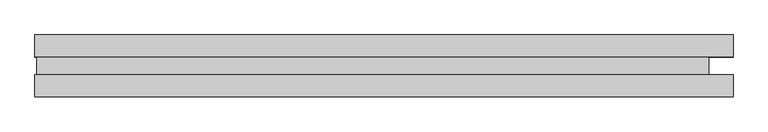
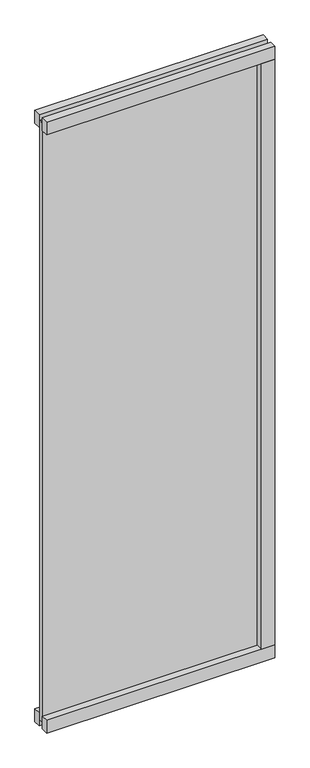
"""IFC4 building model written with IfcOpenShell, lengths in millimetres: plate geometry."""

import ifcopenshell
import ifcopenshell.guid

model = None  # the IFC model being written
_history = None  # IfcOwnerHistory: only IFC2X3 demands one
_inside = {}  # id of a spatial element -> (the spatial element, [elements in it])
_under = {}  # id of a project, library or spatial element -> (it, [spatial elements below it])
_declared = {}  # id of a project -> (the project, [libraries it declares])
_typed = {}  # id of a type object -> (the type object, [elements of that type])
_made_of = {}  # id of a material, layer set ... -> (it, [elements and type objects made of it])


def new_model(schema):
    """Start an empty IFC model of exactly this schema.

    Asked for "IFC4X3", IfcOpenShell would pick the latest addendum, in which some entities
    have other attributes; the version numbers below select the first issue.
    IFC2X3 requires an IfcOwnerHistory on every rooted entity: one is made here for all.
    """
    global model, _history
    if schema == "IFC4X3":
        model = ifcopenshell.file(schema_version=(4, 3, 0, 0))
    else:
        model = ifcopenshell.file(schema=schema)
    _inside.clear()
    _under.clear()
    _declared.clear()
    _typed.clear()
    _made_of.clear()
    _history = None
    if model.schema == "IFC2X3":
        org = make("IfcOrganization", Name="unknown")
        user = make(
            "IfcPersonAndOrganization",
            ThePerson=make("IfcPerson", FamilyName="unknown"),
            TheOrganization=org,
        )
        app = make(
            "IfcApplication",
            ApplicationDeveloper=org,
            Version="unknown",
            ApplicationFullName="unknown",
            ApplicationIdentifier="unknown",
        )
        _history = make(
            "IfcOwnerHistory",
            OwningUser=user,
            OwningApplication=app,
            ChangeAction="ADDED",
            CreationDate=0,
        )
    return model


def make(cls, **values):
    """One entity of the class cls with the attributes given. An attribute that is None is left unset."""
    return model.create_entity(
        cls, **{name: value for name, value in values.items() if value is not None}
    )


def rooted(cls, **values):
    """An entity with a GlobalId (a new one), such as an element, a storey or a relation."""
    return make(cls, GlobalId=ifcopenshell.guid.new(), OwnerHistory=_history, **values)


def si_unit(unit_type, name, prefix=None):
    """IfcSIUnit, for example si_unit("LENGTHUNIT", "METRE", prefix="MILLI")."""
    return make("IfcSIUnit", UnitType=unit_type, Prefix=prefix, Name=name)


def assignment(units):
    """IfcUnitAssignment: the units of a project."""
    return None if units is None else make("IfcUnitAssignment", Units=units)


def point(xyz):
    """IfcCartesianPoint."""
    return None if xyz is None else make("IfcCartesianPoint", Coordinates=xyz)


def direction(xyz):
    """IfcDirection."""
    return None if xyz is None else make("IfcDirection", DirectionRatios=xyz)


def frame(location, z_axis=None, x_axis=None):
    """IfcAxis2Placement3D, a coordinate frame: its origin and axes. An axis left out is left unset."""
    return make(
        "IfcAxis2Placement3D",
        Location=point(location),
        Axis=direction(z_axis),
        RefDirection=direction(x_axis),
    )


def origin():
    """The frame at (0, 0, 0) with its axes left unset."""
    return frame((0.0, 0.0, 0.0))


def origin_with_axes():
    """The frame at (0, 0, 0) with the z axis (0, 0, 1) and the x axis (1, 0, 0) written out."""
    return frame((0.0, 0.0, 0.0), z_axis=(0.0, 0.0, 1.0), x_axis=(1.0, 0.0, 0.0))


def place(relative_to, where):
    """IfcLocalPlacement: puts the frame where relative to a parent placement (None: the world)."""
    return make(
        "IfcLocalPlacement", PlacementRelTo=relative_to, RelativePlacement=where
    )


def context(
    kind, dimensions, precision=None, world=None, true_north=None, identifier=None
):
    """IfcGeometricRepresentationContext, for example the 3D "Model" context."""
    return make(
        "IfcGeometricRepresentationContext",
        ContextIdentifier=identifier,
        ContextType=kind,
        CoordinateSpaceDimension=dimensions,
        Precision=precision,
        WorldCoordinateSystem=world,
        TrueNorth=true_north,
    )


def project(units=None, contexts=None):
    """IfcProject with its units and contexts."""
    return rooted(
        "IfcProject",
        Name="project",
        RepresentationContexts=contexts,
        UnitsInContext=assignment(units),
    )


def spatial(cls, under=None, at=None, **own):
    """A site, building, storey or space (cls), placed at a placement, below another one or the project."""
    s = rooted(cls, ObjectPlacement=at, **own)
    if under is not None:
        _under.setdefault(under.id(), (under, []))[1].append(s)
    return s


def polyline(points):
    """IfcPolyline through the points."""
    return make("IfcPolyline", Points=[point(p) for p in points])


def outline(outer, holes=None, kind="AREA"):
    """IfcArbitraryClosedProfileDef: a profile drawn as a closed curve; with holes, ...WithVoids."""
    if holes is None:
        return make("IfcArbitraryClosedProfileDef", ProfileType=kind, OuterCurve=outer)
    return make(
        "IfcArbitraryProfileDefWithVoids",
        ProfileType=kind,
        OuterCurve=outer,
        InnerCurves=holes,
    )


def extrude(swept, where, along, depth):
    """IfcExtrudedAreaSolid: the profile swept, set in the frame where, extruded along a direction by depth."""
    return make(
        "IfcExtrudedAreaSolid",
        SweptArea=swept,
        Position=where,
        ExtrudedDirection=direction(along),
        Depth=depth,
    )


def shape(context_of_items, identifier, shape_type, items):
    """IfcShapeRepresentation: the items that make up one representation, for example the "Body"."""
    return make(
        "IfcShapeRepresentation",
        ContextOfItems=context_of_items,
        RepresentationIdentifier=identifier,
        RepresentationType=shape_type,
        Items=items,
    )


def source(mapping_origin, context_of_items, identifier, shape_type, items):
    """IfcRepresentationMap: a shape defined once, which mapped items show again and again."""
    return make(
        "IfcRepresentationMap",
        MappingOrigin=mapping_origin,
        MappedRepresentation=shape(context_of_items, identifier, shape_type, items),
    )


def transform(
    local_origin,
    x_axis=None,
    y_axis=None,
    z_axis=None,
    scale=None,
    scale2=None,
    scale3=None,
    uniform=True,
):
    """IfcCartesianTransformationOperator3D, or its non-uniform kind. x_axis, y_axis, z_axis: its Axis1, 2, 3."""
    if uniform:
        return make(
            "IfcCartesianTransformationOperator3D",
            Axis1=direction(x_axis),
            Axis2=direction(y_axis),
            LocalOrigin=point(local_origin),
            Scale=scale,
            Axis3=direction(z_axis),
        )
    return make(
        "IfcCartesianTransformationOperator3DnonUniform",
        Axis1=direction(x_axis),
        Axis2=direction(y_axis),
        LocalOrigin=point(local_origin),
        Scale=scale,
        Axis3=direction(z_axis),
        Scale2=scale2,
        Scale3=scale3,
    )


def mapped(mapping_source, mapping_target):
    """IfcMappedItem: shows the shape of a source again, moved by a transform."""
    return make(
        "IfcMappedItem", MappingSource=mapping_source, MappingTarget=mapping_target
    )


def made_of(thing, what):
    """Note that an element or type object is made of a material, layer set ...; save() writes the relation."""
    if what is not None:
        _made_of.setdefault(what.id(), (what, []))[1].append(thing)
    return thing


def element(
    cls,
    number,
    at=None,
    inside=None,
    cuts=None,
    type_object=None,
    material=None,
    context=None,
    identifier="Body",
    shape_type=None,
    held_by="IfcProductDefinitionShape",
    body=None,
    shapes=None,
    **own,
):
    """One element of the class cls, such as IfcWall. Its Tag is "e" and its number.

    at: its placement. inside: the storey or other place that contains it. cuts: it is an
    opening in that element (IfcRelVoidsElement). A single representation is given by context,
    identifier, shape_type and body (its items); several are given by shapes. held_by: the class
    of the entity that holds the representations. save() writes the other relations.
    """
    e = rooted(cls, Tag="e%d" % number, ObjectPlacement=at, **own)
    if body is not None:
        shapes = [shape(context, identifier, shape_type, body)]
    if shapes is not None:
        e.Representation = make(held_by, Representations=shapes)
    if inside is not None:
        _inside.setdefault(inside.id(), (inside, []))[1].append(e)
    if cuts is not None:
        rooted(
            "IfcRelVoidsElement", RelatingBuildingElement=cuts, RelatedOpeningElement=e
        )
    if type_object is not None:
        _typed.setdefault(type_object.id(), (type_object, []))[1].append(e)
    return made_of(e, material)


def aggregate(whole, parts):
    """IfcRelAggregates: a whole, such as a stair, and the parts it consists of."""
    return rooted("IfcRelAggregates", RelatingObject=whole, RelatedObjects=parts)


def save(model, path):
    """Write the relations noted so far, then the file.

    IfcRelAggregates (storeys below a building ...), IfcRelContainedInSpatialStructure (elements
    in a storey), IfcRelDefinesByType, IfcRelAssociatesMaterial and IfcRelDeclares: one each for
    every whole, place, type object, material and project.
    """
    for whole, parts in _under.values():
        aggregate(whole, parts)
    for where, things in _inside.values():
        rooted(
            "IfcRelContainedInSpatialStructure",
            RelatedElements=things,
            RelatingStructure=where,
        )
    for kind, things in _typed.values():
        rooted("IfcRelDefinesByType", RelatedObjects=things, RelatingType=kind)
    for what, things in _made_of.values():
        rooted("IfcRelAssociatesMaterial", RelatedObjects=things, RelatingMaterial=what)
    for by, libraries in _declared.values():
        rooted("IfcRelDeclares", RelatingContext=by, RelatedDefinitions=libraries)
    model.write(path)


def plate_e6ca9bd4(model_context):
    return source(origin(), model_context, "Body", "SweptSolid", [
        extrude(outline(polyline([(448.4415345, 45.0), (508.4415345, 45.0), (508.4415345, 13.0), (448.4415345, 13.0), (448.4415345, 45.0)])), frame((0.0, 0.0, 60.0), z_axis=(0.0, 0.0, 1.0), x_axis=(1.0, 0.0, 0.0)), (0.0, 0.0, 1.0), 2765.0),
        extrude(outline(polyline([(508.4415345, -45.0), (448.4415345, -45.0), (448.4415345, -13.0), (508.4415345, -13.0), (508.4415345, -45.0)])), frame((0.0, 0.0, 60.0), z_axis=(0.0, 0.0, 1.0), x_axis=(1.0, 0.0, 0.0)), (0.0, 0.0, 1.0), 2765.0),
        extrude(outline(polyline([(508.4415345, -13.0), (508.4415345, -45.0), (-510.9415345, -45.0), (-510.9415345, -13.0), (508.4415345, -13.0)])), origin_with_axes(), (0.0, 0.0, 1.0), 60.0),
        extrude(outline(polyline([(508.4415345, 45.0), (508.4415345, 13.0), (-510.9415345, 13.0), (-510.9415345, 45.0), (508.4415345, 45.0)])), origin_with_axes(), (0.0, 0.0, 1.0), 60.0),
        extrude(outline(polyline([(508.4415345, -13.0), (508.4415345, -45.0), (-510.9415345, -45.0), (-510.9415345, -13.0), (508.4415345, -13.0)])), frame((0.0, 0.0, 2825.0), z_axis=(0.0, 0.0, 1.0), x_axis=(1.0, 0.0, 0.0)), (0.0, 0.0, 1.0), 60.0),
        extrude(outline(polyline([(508.4415345, 45.0), (508.4415345, 13.0), (-510.9415345, 13.0), (-510.9415345, 45.0), (508.4415345, 45.0)])), frame((0.0, 0.0, 2825.0), z_axis=(0.0, 0.0, 1.0), x_axis=(1.0, 0.0, 0.0)), (0.0, 0.0, 1.0), 60.0),
        extrude(outline(polyline([(472.9415345, -13.0), (-508.4415345, -13.0), (-508.4415345, 13.0), (472.9415345, 13.0), (472.9415345, -13.0)])), frame((0.0, 0.0, 28.0), z_axis=(0.0, 0.0, 1.0), x_axis=(1.0, 0.0, 0.0)), (0.0, 0.0, 1.0), 2829.0),
    ])


if __name__ == "__main__":
    model = new_model("IFC4")
    model_context = context("Model", 3, world=origin())
    ifc_project = project(units=[si_unit("LENGTHUNIT", "METRE", prefix="MILLI")], contexts=[model_context])
    site = spatial("IfcSite", under=ifc_project)
    building = spatial("IfcBuilding", under=site)
    placement = place(None, origin())
    plate_shape = plate_e6ca9bd4(model_context)
    element("IfcPlate", 1, at=placement, inside=building, context=model_context, shape_type="MappedRepresentation", body=[
        mapped(plate_shape, transform((0.0, 0.0, 0.0), x_axis=(1.0, 0.0, 0.0), y_axis=(0.0, 1.0, 0.0), z_axis=(0.0, 0.0, 1.0))),
    ])
    save(model, "model.ifc")
